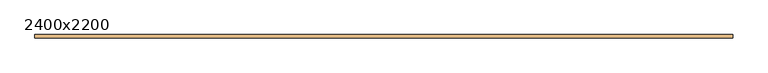
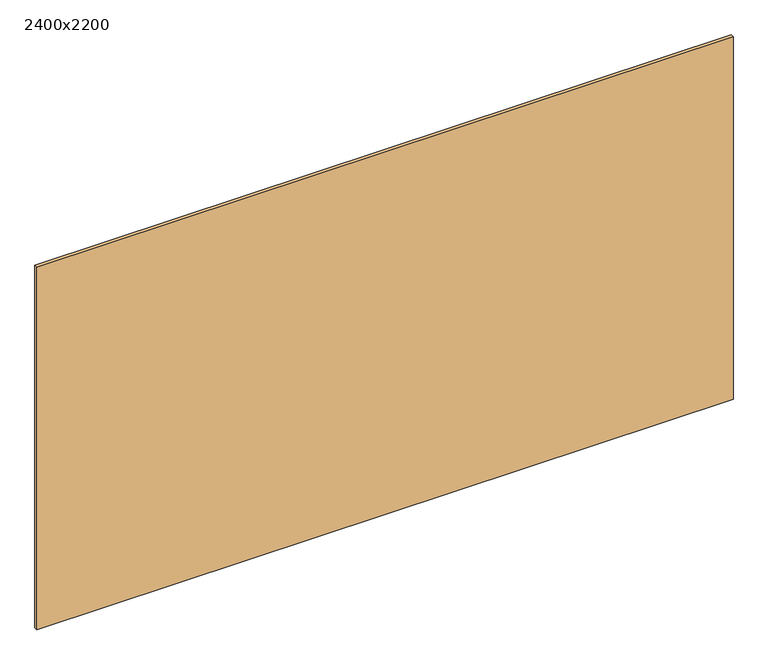
"""IFC4 building model written with IfcOpenShell, lengths in millimetres: door geometry, 2400x2200."""

from ifc_helpers import new_model, si_unit, origin, origin_with_axes, place, context, project, spatial, polyline, outline, extrude, source, transform, mapped, element, save


def door_2400x2200_6a3ffebb(model_context):
    return source(origin(), model_context, "Body", "SweptSolid", [
        extrude(outline(polyline([(2000.0, 98.0), (2000.0, 78.0), (-2000.0, 78.0), (-2000.0, 98.0), (2000.0, 98.0)])), origin_with_axes(), (0.0, 0.0, 1.0), 2200.0),
    ])


if __name__ == "__main__":
    model = new_model("IFC4")
    model_context = context("Model", 3, world=origin())
    ifc_project = project(units=[si_unit("LENGTHUNIT", "METRE", prefix="MILLI")], contexts=[model_context])
    site = spatial("IfcSite", under=ifc_project)
    building = spatial("IfcBuilding", under=site)
    placement = place(None, origin())
    door_2400x2200_shape = door_2400x2200_6a3ffebb(model_context)
    element("IfcDoor", 1, ObjectType="2400x2200", at=placement, inside=building, context=model_context, shape_type="MappedRepresentation", body=[
        mapped(door_2400x2200_shape, transform((0.0, 0.0, 0.0), x_axis=(1.0, 0.0, 0.0), y_axis=(0.0, 1.0, 0.0), z_axis=(0.0, 0.0, 1.0))),
    ])
    save(model, "model.ifc")
